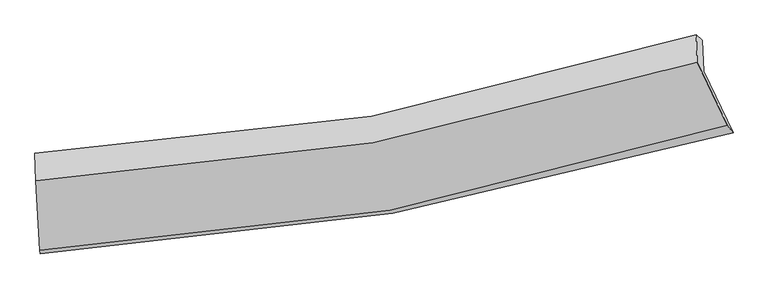
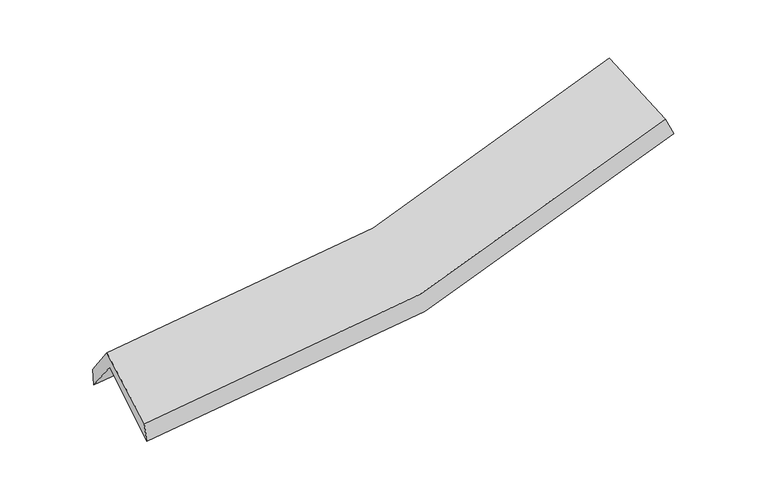
"""IFC4 building model written with IfcOpenShell, lengths in millimetres: proxy geometry."""

from ifc_helpers import new_model, si_unit, frame, origin, place, context, project, spatial, source, transform, mapped, element, save
from ifc_brep_helpers import plane_surface, spline_curve, spline_surface, advanced_brep


def generic_models_297ab296(model_context):
    return source(origin(), model_context, "Body", "AdvancedBrep", [
        advanced_brep(
        [(-2690.6329612, -2529.2879296, 1507.43643), (-2722.2353306, -1978.5520974, 1924.4138189), (2619.1443439, -1066.9599418, 2435.0419229), (2855.1981194, -1560.1829184, 2055.5905875), (-2731.4389516, -1738.5430729, 1606.7169136), (2609.5456149, -816.64742, 2103.7064087), (-2733.6614061, -1721.2476463, 1754.2694846), (2559.6393346, -775.8739268, 2279.5653436), (-2725.2163252, -1941.4757073, 2045.7825791), (2568.0455101, -995.0874281, 2569.7354784), (-2693.6049063, -2499.3685547, 1667.290978), (2809.1249043, -1498.8111925, 2182.2055697)],
        [
            (0, 1),
            (1, 2, spline_curve(3, [(-2722.2353306, -1978.5520974, 1924.4138189), (-1802.742908435, -1942.021779749, 1913.521004248), (-897.409735263, -1847.644128221, 1950.726159155), (882.988264304, -1543.527218617, 2121.145769235), (1758.114982752, -1334.040818307, 2254.149982391), (2619.1443439, -1066.9599418, 2435.0419229)], [4, 2, 4], [0.0, 9.149485679888251, 18.278952695648094])),
            (2, 3),
            (3, 0, spline_curve(3, [(2855.1981194, -1560.1829184, 2055.5905875), (1961.011950032, -1827.738099933, 1858.338194147), (1052.28835213, -2042.24415845, 1714.024470693), (-796.258184508, -2365.512064494, 1531.074000605), (-1736.144946657, -2474.041009571, 1492.669671569), (-2690.6329612, -2529.2879296, 1507.43643)], [4, 2, 4], [0.0, 9.129467015759843, 18.278952695648094])),
            (1, 4),
            (4, 5, spline_curve(3, [(-2731.4389516, -1738.5430729, 1606.7169136), (-1811.777496221, -1706.420752663, 1601.658908755), (-906.392896824, -1613.384179384, 1640.639232396), (873.872886266, -1305.819364516, 1806.494894119), (1748.816475562, -1091.557386959, 1933.177735945), (2609.5456149, -816.64742, 2103.7064087)], [4, 2, 4], [0.0, 8.974613021654985, 17.929589992711207])),
            (5, 2),
            (4, 6),
            (6, 7, spline_curve(3, [(-2733.6614061, -1721.2476463, 1754.2694846), (-1820.459572719, -1682.388032211, 1757.947671367), (-922.283607929, -1584.025707799, 1803.655339911), (842.084292545, -1268.641041213, 1978.937675342), (1708.341907707, -1051.878792148, 2108.328626608), (2559.6393346, -775.8739268, 2279.5653436)], [4, 2, 4], [0.0, 8.940877661289717, 17.862193083435436])),
            (7, 5),
            (6, 8),
            (8, 9, spline_curve(3, [(-2725.2163252, -1941.4757073, 2045.7825791), (-1812.237369181, -1896.803972438, 2041.767335474), (-914.175970083, -1795.454038615, 2083.520342729), (850.179435183, -1479.743531649, 2258.371368084), (1716.538647811, -1265.630705774, 2391.269326997), (2568.0455101, -995.0874281, 2569.7354784)], [4, 2, 4], [0.0, 8.907170127555114, 17.79485176653758])),
            (9, 7),
            (8, 10),
            (10, 11, spline_curve(3, [(-2693.6049063, -2499.3685547, 1667.290978), (-1744.947462496, -2452.577254716, 1664.091880034), (-811.572437132, -2345.644715854, 1705.49767059), (1022.604031502, -2011.862710275, 1877.330841304), (1923.472276416, -1785.276128595, 2007.56324785), (2809.1249043, -1498.8111925, 2182.2055697)], [4, 2, 4], [0.0, 9.083093610139992, 18.14631381902116])),
            (11, 9),
            (10, 0),
            (3, 11),
        ],
        [
            spline_surface(3, 3, [[(-2690.6329612, -2529.2879296, 1507.43643), (-1736.14494658, -2474.041009692, 1492.669671663), (-796.258184359, -2365.512064485, 1531.074000703), (1052.288351982, -2042.244158458, 1714.024470595), (1961.011949936, -1827.738099934, 1858.338194009), (2855.1981194, -1560.1829184, 2055.5905875)], [(-2701.16708432, -2345.709318875, 1646.428892991), (-1758.344267196, -2296.701266408, 1632.953449168), (-829.975367997, -2192.889419092, 1670.958053527), (995.854989457, -1876.005178511, 1849.731570168), (1893.37962753, -1663.172339384, 1990.27545675), (2776.513527571, -1395.77525954, 2182.074365956)], [(-2711.70120748, -2162.130708125, 1785.421355909), (-1780.543587854, -2119.3615231, 1773.237226601), (-863.692551683, -2020.266773656, 1810.842106303), (939.421626886, -1709.766198522, 1985.438669691), (1825.74730511, -1498.606578816, 2122.212719523), (2697.828935729, -1231.36760066, 2308.558144444)], [(-2722.2353306, -1978.5520974, 1924.4138189), (-1802.742908471, -1942.021779816, 1913.521004106), (-897.409735321, -1847.644128263, 1950.726159127), (882.988264362, -1543.527218575, 2121.145769263), (1758.114982705, -1334.040818266, 2254.149982264), (2619.1443439, -1066.9599418, 2435.0419229)]], [4, 4], [4, 2, 4], [0.0, 2.1948507539237063], [0.0, 9.149485679888251, 18.278952695648094]),
            spline_surface(3, 3, [[(-2722.2353306, -1978.5520974, 1924.4138189), (-1802.742908471, -1942.021779816, 1913.521004106), (-897.409735321, -1847.644128263, 1950.726159127), (882.988264362, -1543.527218575, 2121.145769263), (1758.114982705, -1334.040818266, 2254.149982264), (2619.1443439, -1066.9599418, 2435.0419229)], [(-2725.303204288, -1898.549089222, 1818.514850442), (-1805.7544377, -1863.488104044, 1809.566972339), (-900.404122449, -1769.557478607, 1847.363850168), (879.949804988, -1464.291267261, 2016.262144258), (1755.015480341, -1253.213007804, 2147.15923347), (2615.944767547, -983.522434527, 2324.596751496)], [(-2728.371077912, -1818.546081078, 1712.615882058), (-1808.765966865, -1784.954428304, 1705.612940648), (-903.398509623, -1691.470828937, 1744.001541218), (876.911345567, -1385.055315932, 1911.378519262), (1751.915978036, -1172.385197361, 2040.168484687), (2612.745191253, -900.084927273, 2214.151580104)], [(-2731.4389516, -1738.5430729, 1606.7169136), (-1811.777496094, -1706.420752532, 1601.658908881), (-906.39289675, -1613.384179282, 1640.639232259), (873.872886192, -1305.819364618, 1806.494894256), (1748.816475672, -1091.557386899, 1933.177735892), (2609.5456149, -816.64742, 2103.7064087)]], [4, 4], [4, 2, 4], [0.0, 1.2847315275265971], [0.0, 8.974613021654985, 17.929589992711207]),
            spline_surface(3, 3, [[(-2731.4389516, -1738.5430729, 1606.7169136), (-1811.777496094, -1706.420752532, 1601.658908881), (-906.39289675, -1613.384179282, 1640.639232259), (873.872886192, -1305.819364618, 1806.494894256), (1748.816475672, -1091.557386899, 1933.177735892), (2609.5456149, -816.64742, 2103.7064087)], [(-2732.179769742, -1732.777930712, 1655.901103961), (-1814.671521644, -1698.409845737, 1653.755163031), (-911.689800473, -1603.598022156, 1694.977934766), (863.276688253, -1293.426590093, 1863.975821329), (1735.324953031, -1078.331188627, 1991.561366145), (2592.910188133, -803.056255583, 2162.326053673)], [(-2732.920587958, -1727.012788488, 1705.085294239), (-1817.565547268, -1690.398938906, 1705.851417098), (-916.986704116, -1593.811865063, 1749.316637272), (852.680490394, -1281.033815599, 1921.4567484), (1721.83343039, -1065.104990405, 2049.944996379), (2576.274761367, -789.465091217, 2220.945698627)], [(-2733.6614061, -1721.2476463, 1754.2694846), (-1820.459572818, -1682.38803211, 1757.947671247), (-922.283607839, -1584.025707938, 1803.655339779), (842.084292455, -1268.641041074, 1978.937675473), (1708.341907748, -1051.878792133, 2108.328626632), (2559.6393346, -775.8739268, 2279.5653436)]], [4, 4], [4, 2, 4], [0.0, 0.5663932422828549], [0.0, 8.940877661289717, 17.862193083435436]),
            spline_surface(3, 3, [[(-2733.6614061, -1721.2476463, 1754.2694846), (-1820.459572818, -1682.38803211, 1757.947671247), (-922.283607839, -1584.025707938, 1803.655339779), (842.084292455, -1268.641041074, 1978.937675473), (1708.341907748, -1051.878792133, 2108.328626632), (2559.6393346, -775.8739268, 2279.5653436)], [(-2730.846379145, -1794.656999957, 1851.440516097), (-1817.718838285, -1753.860012233, 1852.55422594), (-919.581061907, -1654.501818201, 1896.943674153), (844.78267339, -1339.008537916, 2072.082239638), (1711.074154474, -1123.129429986, 2202.642193365), (2562.441393123, -848.94509391, 2376.288721848)], [(-2728.031352155, -1868.066353643, 1948.611547603), (-1814.978103718, -1825.331992384, 1947.16078064), (-916.878516034, -1724.977928432, 1990.232008499), (847.481054266, -1409.376034726, 2165.226803775), (1713.80640113, -1194.38006781, 2296.955760154), (2565.243451577, -922.01626099, 2473.012100152)], [(-2725.2163252, -1941.4757073, 2045.7825791), (-1812.237369185, -1896.803972508, 2041.767335332), (-914.175970102, -1795.454038695, 2083.520342873), (850.179435202, -1479.743531569, 2258.37136794), (1716.538647856, -1265.630705663, 2391.269326888), (2568.0455101, -995.0874281, 2569.7354784)]], [4, 4], [4, 2, 4], [0.0, 1.150180728648274], [0.0, 8.907170127555114, 17.79485176653758]),
            spline_surface(3, 3, [[(-2725.2163252, -1941.4757073, 2045.7825791), (-1812.237369185, -1896.803972508, 2041.767335332), (-914.175970102, -1795.454038695, 2083.520342873), (850.179435202, -1479.743531569, 2258.37136794), (1716.538647856, -1265.630705663, 2391.269326888), (2568.0455101, -995.0874281, 2569.7354784)], [(-2714.67918556, -2127.439989748, 1919.618712065), (-1789.807400329, -2082.061733231, 1915.875516895), (-879.97479248, -1978.85093107, 1957.512785447), (907.654300677, -1657.116591155, 2131.357859055), (1785.516524037, -1438.845846601, 2263.367300601), (2648.405308155, -1162.995349557, 2440.558842191)], [(-2704.14204594, -2313.404272252, 1793.454845035), (-1767.377431493, -2267.319494009, 1789.983698462), (-845.773614868, -2162.247823435, 1831.505228027), (965.129166143, -1834.489650732, 2004.344350177), (1854.494400254, -1612.060987568, 2135.46527424), (2728.765106245, -1330.903271043, 2311.382205909)], [(-2693.6049063, -2499.3685547, 1667.290978), (-1744.947462637, -2452.577254733, 1664.091880026), (-811.572437247, -2345.64471581, 1705.497670601), (1022.604031618, -2011.862710319, 1877.330841292), (1923.472276435, -1785.276128506, 2007.563247953), (2809.1249043, -1498.8111925, 2182.2055697)]], [4, 4], [4, 2, 4], [0.0, 2.214994335028505], [0.0, 9.083093610139992, 18.14631381902116]),
            spline_surface(3, 3, [[(-2693.6049063, -2499.3685547, 1667.290978), (-1744.947462637, -2452.577254733, 1664.091880026), (-811.572437247, -2345.64471581, 1705.497670601), (1022.604031618, -2011.862710319, 1877.330841292), (1923.472276435, -1785.276128506, 2007.563247953), (2809.1249043, -1498.8111925, 2182.2055697)], [(-2692.614257946, -2509.341679685, 1614.006128644), (-1742.01329063, -2459.731839738, 1606.951143882), (-806.467686312, -2352.267165346, 1647.35644728), (1032.498805045, -2021.989859676, 1822.895384372), (1935.98550094, -1799.430118999, 1957.821563307), (2824.482642671, -1519.268434484, 2140.000575636)], [(-2691.623609554, -2519.314804615, 1560.721279356), (-1739.079118587, -2466.886424687, 1549.810407807), (-801.362935294, -2358.889614949, 1589.215224024), (1042.393578554, -2032.117009101, 1768.459927516), (1948.498725431, -1813.584109441, 1908.079878654), (2839.840381029, -1539.725676416, 2097.795581564)], [(-2690.6329612, -2529.2879296, 1507.43643), (-1736.14494658, -2474.041009692, 1492.669671663), (-796.258184359, -2365.512064485, 1531.074000703), (1052.288351982, -2042.244158458, 1714.024470595), (1961.011949936, -1827.738099934, 1858.338194009), (2855.1981194, -1560.1829184, 2055.5905875)]], [4, 4], [4, 2, 4], [0.0, 0.5649875418152622], [0.0, 9.291571960286666, 18.56281437803885]),
            plane_surface(frame((2670.1163045, -1118.9271379, 2270.9742185), z_axis=(0.934706679551011, 0.29608959106795474, 0.19660716483367296), x_axis=(0.3546680165650394, -0.741061711332652, -0.570121160826839))),
            plane_surface(frame((-2716.1316468, -2068.079168, 1750.985034), z_axis=(-0.9986878436833386, -0.05038974237477298, -0.00913590403449918), x_axis=(-0.018271178286264757, 0.18394089473881417, 0.9827674756964213))),
        ],
        [
            (0, [[1, 2, 3, 4]]),
            (1, [[5, 6, 7, -2]]),
            (2, [[8, 9, 10, -6]]),
            (3, [[11, 12, 13, -9]]),
            (4, [[14, 15, 16, -12]]),
            (5, [[17, -4, 18, -15]]),
            (6, [[-16, -18, -3, -7, -10, -13]]),
            (7, [[-17, -14, -11, -8, -5, -1]]),
        ],
    ),
    ])


if __name__ == "__main__":
    model = new_model("IFC4")
    model_context = context("Model", 3, world=origin())
    ifc_project = project(units=[si_unit("LENGTHUNIT", "METRE", prefix="MILLI")], contexts=[model_context])
    site = spatial("IfcSite", under=ifc_project)
    building = spatial("IfcBuilding", under=site)
    placement = place(None, origin())
    generic_models_shape = generic_models_297ab296(model_context)
    element("IfcBuildingElementProxy", 1, Name="Generic Models", at=placement, inside=building, context=model_context, shape_type="MappedRepresentation", body=[
        mapped(generic_models_shape, transform((0.0, 0.0, 0.0), x_axis=(1.0, 0.0, 0.0), y_axis=(0.0, 1.0, 0.0), z_axis=(0.0, 0.0, 1.0))),
    ])
    save(model, "model.ifc")
